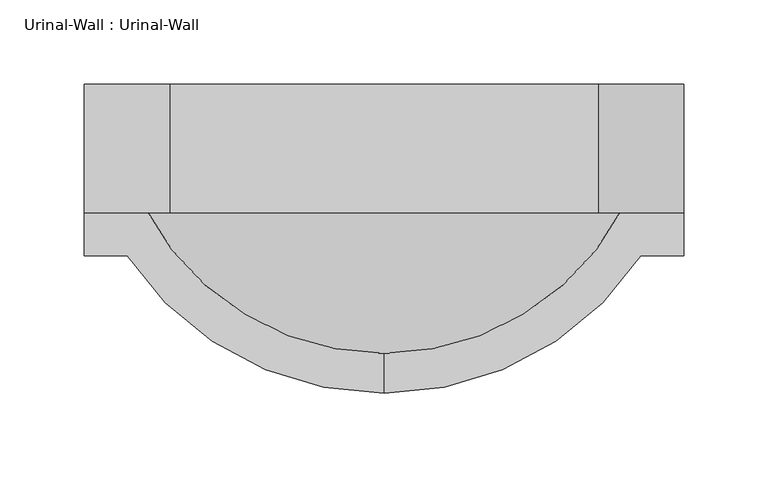
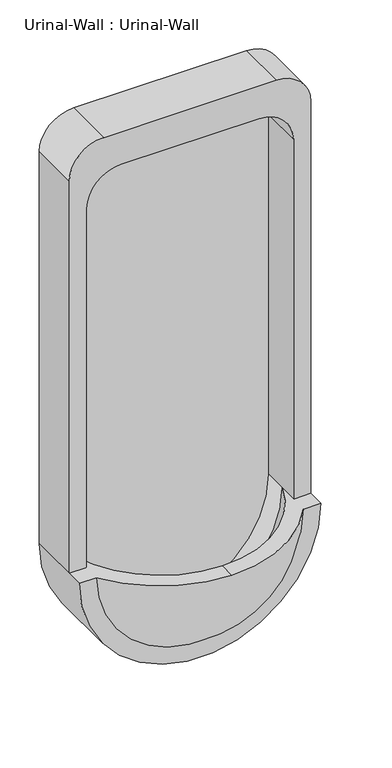
"""IFC4 building model written with IfcOpenShell, lengths in millimetres: flow terminal geometry, Urinal-Wall : Urinal-Wall."""

from ifc_helpers import new_model, si_unit, point, frame, origin, place, context, project, spatial, polyline, circle_curve, ellipse_curve, trimmed, source, transform, mapped, element, save
from ifc_brep_helpers import plane_surface, cylinder_surface, revolved_surface, advanced_brep


def urinal_wall_urinal_wall_52dcff7a(model_context):
    return source(origin(), model_context, "Body", "AdvancedBrep", [
        advanced_brep(
        [(-109.0745999, -335.5620048, 609.6), (43.3254001, -254.0, 609.6), (68.7254001, -254.0, 609.6), (68.7254001, -228.6, 609.6), (43.3254001, -228.6, 609.6), (43.3254001, -199.2706063, 609.6), (-109.0745999, -311.8447043, 609.6), (-261.4745999, -199.2706063, 609.6), (-261.4745999, -228.6, 609.6), (-286.8745999, -228.6, 609.6), (-286.8745999, -254.0, 609.6), (-261.4745999, -254.0, 609.6), (43.3254001, -165.1, 609.6), (-261.4745999, -165.1, 609.6), (-286.8745999, -152.4, 609.6), (-286.8745999, -152.4, 1219.2), (-236.0745999, -152.4, 1270.0), (17.9254001, -152.4, 1270.0), (68.7254001, -152.4, 1219.2), (68.7254001, -152.4, 609.6), (68.7254001, -228.6, 1219.2), (17.9254001, -228.6, 1270.0), (-236.0745999, -228.6, 1270.0), (-286.8745999, -228.6, 1219.2), (-261.4745999, -228.6, 1168.4), (-210.6745999, -228.6, 1219.2), (-7.4745999, -228.6, 1219.2), (43.3254001, -228.6, 1168.4), (43.3254001, -165.1, 1168.4), (-7.4745999, -165.1, 1219.2), (-210.6745999, -165.1, 1219.2), (-261.4745999, -165.1, 1168.4)],
        [
            (0, 1, circle_curve(frame((-109.0745999, -152.4, 609.6), z_axis=(0.0, 0.0, 1.0), x_axis=(1.0, 0.0, 0.0)), 183.1620048)),
            (1, 2),
            (2, 3),
            (3, 4),
            (4, 5),
            (5, 6, circle_curve(frame((-109.0745999, -152.4, 609.6), z_axis=(0.0, 0.0, -1.0), x_axis=(1.0, 0.0, 0.0)), 159.4447043)),
            (6, 0),
            (6, 7, circle_curve(frame((-109.0745999, -152.4, 609.6), z_axis=(0.0, 0.0, -1.0), x_axis=(-1.0, 0.0, 0.0)), 159.4447043)),
            (7, 8),
            (8, 9),
            (9, 10),
            (10, 11),
            (11, 0, circle_curve(frame((-109.0745999, -152.4, 609.6), z_axis=(0.0, 0.0, 1.0), x_axis=(-1.0, 0.0, 0.0)), 183.1620048)),
            (5, 7, circle_curve(frame((-109.0745999, -199.2706063, 609.6), z_axis=(0.0, 1.0, 0.0), x_axis=(1.0, 0.0, 0.0)), 152.4)),
            (5, 12),
            (12, 13, circle_curve(frame((-109.0745999, -165.1, 609.6), z_axis=(0.0, 1.0, 0.0), x_axis=(1.0, 0.0, 0.0)), 152.4)),
            (13, 7),
            (14, 15),
            (15, 16, circle_curve(frame((-236.0745999, -152.4, 1219.2), z_axis=(0.0, 1.0, 0.0), x_axis=(-1.0, 0.0, 0.0)), 50.8)),
            (16, 17),
            (17, 18, circle_curve(frame((17.9254001, -152.4, 1219.2), z_axis=(0.0, 1.0, 0.0), x_axis=(-1.0, 0.0, 0.0)), 50.8)),
            (18, 19),
            (19, 14, circle_curve(frame((-109.0745999, -152.4, 609.6), z_axis=(0.0, 1.0, 0.0), x_axis=(1.0, 0.0, 0.0)), 177.8)),
            (19, 3),
            (2, 10, circle_curve(frame((-109.0745999, -254.0, 609.6), z_axis=(0.0, 1.0, 0.0), x_axis=(1.0, 0.0, 0.0)), 177.8)),
            (9, 14),
            (1, 11, circle_curve(frame((-109.0745999, -254.0, 609.6), z_axis=(0.0, 1.0, 0.0), x_axis=(1.0, 0.0, 0.0)), 152.4)),
            (3, 20),
            (20, 21, circle_curve(frame((17.9254001, -228.6, 1219.2), z_axis=(0.0, -1.0, 0.0), x_axis=(-1.0, 0.0, 0.0)), 50.8)),
            (21, 22),
            (22, 23, circle_curve(frame((-236.0745999, -228.6, 1219.2), z_axis=(0.0, -1.0, 0.0), x_axis=(-1.0, 0.0, 0.0)), 50.8)),
            (23, 9),
            (8, 24),
            (24, 25, circle_curve(frame((-210.6745999, -228.6, 1168.4), z_axis=(0.0, 1.0, 0.0), x_axis=(-1.0, 0.0, 0.0)), 50.8)),
            (25, 26),
            (26, 27, circle_curve(frame((-7.4745999, -228.6, 1168.4), z_axis=(0.0, 1.0, 0.0), x_axis=(-1.0, 0.0, 0.0)), 50.8)),
            (27, 4),
            (27, 28),
            (28, 12),
            (26, 29),
            (29, 28, circle_curve(frame((-7.4745999, -165.1, 1168.4), z_axis=(0.0, 1.0, 0.0), x_axis=(-1.0, 0.0, 0.0)), 50.8)),
            (25, 30),
            (30, 29),
            (24, 31),
            (31, 30, circle_curve(frame((-210.6745999, -165.1, 1168.4), z_axis=(0.0, 1.0, 0.0), x_axis=(-1.0, 0.0, 0.0)), 50.8)),
            (13, 31),
            (23, 15),
            (22, 16),
            (21, 17),
            (20, 18),
        ],
        [
            plane_surface(frame((-109.0745999, -441.6104173, 609.6), z_axis=(0.0, 0.0, 1.0), x_axis=(1.0, 0.0, 0.0))),
            plane_surface(frame((-109.0745999, -441.6104173, 609.6), z_axis=(0.0, 0.0, 1.0), x_axis=(-1.0, 0.0, 0.0))),
            revolved_surface(trimmed(ellipse_curve(frame((-109.0745999, -152.4, 609.6), z_axis=(0.0, 0.0, 1.0), x_axis=(1.0, 0.0, 0.0)), 159.4447043, 159.4447043), [point((-109.0745999, -311.8447043, 609.6))], [point((43.3254001, -199.2706063, 609.6))], True, "CARTESIAN"), (-109.0745999, -441.6104173, 609.6), (0.0, -1.0, 0.0)),
            revolved_surface(polyline([(43.32540010000001, -199.2706063, 609.6), (43.32540010000001, -165.10000000000002, 609.6)]), (-109.0745999, -441.6104173, 609.6), (0.0, -1.0, 0.0)),
            plane_surface(frame((-109.0745999, -152.4, 609.6), z_axis=(0.0, 1.0, 0.0), x_axis=(1.0, 0.0, 0.0))),
            cylinder_surface(frame((-109.0745999, -441.6104173, 609.6), z_axis=(0.0, -1.0, 0.0), x_axis=(1.0, 0.0, 0.0)), 177.8),
            plane_surface(frame((-109.0745999, -254.0, 609.6), z_axis=(0.0, -1.0, 0.0), x_axis=(1.0, 0.0, 0.0))),
            revolved_surface(trimmed(ellipse_curve(frame((-109.0745999, -152.4, 609.6), z_axis=(0.0, 0.0, -1.0), x_axis=(1.0, 0.0, 0.0)), 183.1620048, 183.1620048), [point((43.3254001, -254.0, 609.6))], [point((-109.0745999, -335.5620048, 609.6))], True, "CARTESIAN"), (-109.0745999, -441.6104173, 609.6), (0.0, -1.0, 0.0)),
            plane_surface(frame((43.3254001, -228.6, 609.6), z_axis=(0.0, -1.0, 0.0), x_axis=(0.0, 0.0, 1.0))),
            plane_surface(frame((43.3254001, -228.6, 609.6), z_axis=(-1.0, 0.0, 0.0), x_axis=(0.0, 1.0, 0.0))),
            revolved_surface(polyline([(-58.2745999, -165.1, 1168.4), (-58.2745999, -228.6, 1168.4)]), (-7.4745999, -152.4, 1168.4), (0.0, 1.0, 0.0)),
            plane_surface(frame((-7.4745999, -228.6, 1219.2), z_axis=(0.0, 0.0, -1.0), x_axis=(0.0, 1.0, 0.0))),
            revolved_surface(polyline([(-261.4745999, -165.1, 1168.4), (-261.4745999, -228.6, 1168.4)]), (-210.6745999, -152.4, 1168.4), (0.0, 1.0, 0.0)),
            plane_surface(frame((-261.4745999, -228.6, 1168.4), z_axis=(1.0, 0.0, 0.0), x_axis=(0.0, 1.0, 0.0))),
            plane_surface(frame((-286.8745999, -228.6, 609.6), z_axis=(-1.0, 0.0, 0.0), x_axis=(0.0, 1.0, 0.0))),
            cylinder_surface(frame((-236.0745999, -152.4, 1219.2), z_axis=(0.0, -1.0, 0.0), x_axis=(-1.0, 0.0, 0.0)), 50.8),
            plane_surface(frame((-236.0745999, -228.6, 1270.0), z_axis=(0.0, 0.0, 1.0), x_axis=(0.0, 1.0, 0.0))),
            cylinder_surface(frame((17.9254001, -152.4, 1219.2), z_axis=(0.0, -1.0, 0.0), x_axis=(-1.0, 0.0, 0.0)), 50.8),
            plane_surface(frame((68.7254001, -228.6, 1219.2), z_axis=(1.0, 0.0, 0.0), x_axis=(0.0, 1.0, 0.0))),
            plane_surface(frame((43.3254001, -165.1, 609.6), z_axis=(0.0, -1.0, 0.0), x_axis=(0.0, 0.0, -1.0))),
        ],
        [
            (0, [[1, 2, 3, 4, 5, 6, 7]]),
            (1, [[8, 9, 10, 11, 12, 13, -7]]),
            (2, [[14, -8, -6]]),
            (3, [[15, 16, 17, -14]]),
            (4, [[18, 19, 20, 21, 22, 23]]),
            (5, [[24, -3, 25, -11, 26, -23]]),
            (6, [[27, -12, -25, -2]]),
            (7, [[-13, -27, -1]]),
            (8, [[-4, 28, 29, 30, 31, 32, -10, 33, 34, 35, 36, 37]]),
            (9, [[38, 39, -15, -5, -37]]),
            (10, [[40, 41, -38, -36]]),
            (11, [[42, 43, -40, -35]]),
            (12, [[44, 45, -42, -34]]),
            (13, [[-9, -17, 46, -44, -33]]),
            (14, [[47, -18, -26, -32]]),
            (15, [[48, -19, -47, -31]]),
            (16, [[49, -20, -48, -30]]),
            (17, [[50, -21, -49, -29]]),
            (18, [[-24, -22, -50, -28]]),
            (19, [[-39, -41, -43, -45, -46, -16]]),
        ],
    ),
    ])


if __name__ == "__main__":
    model = new_model("IFC4")
    model_context = context("Model", 3, world=origin())
    ifc_project = project(units=[si_unit("LENGTHUNIT", "METRE", prefix="MILLI")], contexts=[model_context])
    site = spatial("IfcSite", under=ifc_project)
    building = spatial("IfcBuilding", under=site)
    placement = place(None, origin())
    urinal_wall_urinal_wall_shape = urinal_wall_urinal_wall_52dcff7a(model_context)
    element("IfcFlowTerminal", 1, ObjectType="Urinal-Wall : Urinal-Wall", at=placement, inside=building, context=model_context, shape_type="MappedRepresentation", body=[
        mapped(urinal_wall_urinal_wall_shape, transform((0.0, 0.0, 0.0), x_axis=(1.0, 0.0, 0.0), y_axis=(0.0, 1.0, 0.0), z_axis=(0.0, 0.0, 1.0))),
    ])
    save(model, "model.ifc")
